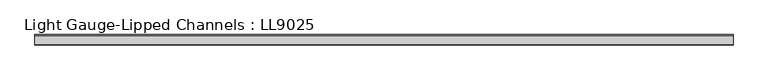
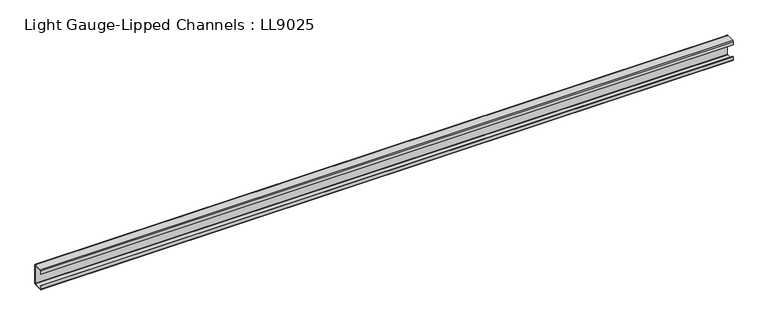
"""IFC4 building model written with IfcOpenShell, lengths in millimetres: beam geometry, Light Gauge-Lipped Channels : LL9025."""

from ifc_helpers import new_model, si_unit, point, frame, frame_2d, origin, place, context, project, spatial, polyline, circle_curve, trimmed, segment, composite_curve, outline, extrude, source, transform, mapped, element, save


def light_gauge_lipped_channels_ll9025_b1844070(model_context):
    return source(origin(), model_context, "Body", "SweptSolid", [
        extrude(outline(composite_curve([segment(trimmed(circle_curve(frame_2d((14.7, -41.5)), 3.5), [point((18.2, -41.5))], [point((14.7, -45.0))], False, "CARTESIAN"), True, "CONTINUOUS"), segment(polyline([(14.7, -45.0), (-23.3, -45.0)]), True, "CONTINUOUS"), segment(trimmed(circle_curve(frame_2d((-23.3, -41.5)), 3.5), [point((-23.3, -45.0))], [point((-26.8, -41.5))], False, "CARTESIAN"), True, "CONTINUOUS"), segment(polyline([(-26.8, -41.5), (-26.8, -27.0), (-24.3, -27.0), (-24.3, -41.5)]), True, "CONTINUOUS"), segment(trimmed(circle_curve(frame_2d((-23.3, -41.5)), 1.0), [point((-24.3, -41.5))], [point((-23.3, -42.5))], True, "CARTESIAN"), True, "CONTINUOUS"), segment(polyline([(-23.3, -42.5), (14.7, -42.5)]), True, "CONTINUOUS"), segment(trimmed(circle_curve(frame_2d((14.7, -41.5)), 1.0), [point((14.7, -42.5))], [point((15.7, -41.5))], True, "CARTESIAN"), True, "CONTINUOUS"), segment(polyline([(15.7, -41.5), (15.7, 41.5)]), True, "CONTINUOUS"), segment(trimmed(circle_curve(frame_2d((14.7, 41.5)), 1.0), [point((15.7, 41.5))], [point((14.7, 42.5))], True, "CARTESIAN"), True, "CONTINUOUS"), segment(polyline([(14.7, 42.5), (-23.3, 42.5)]), True, "CONTINUOUS"), segment(trimmed(circle_curve(frame_2d((-23.3, 41.5)), 1.0), [point((-23.3, 42.5))], [point((-24.3, 41.5))], True, "CARTESIAN"), True, "CONTINUOUS"), segment(polyline([(-24.3, 41.5), (-24.3, 27.0), (-26.8, 27.0), (-26.8, 41.5)]), True, "CONTINUOUS"), segment(trimmed(circle_curve(frame_2d((-23.3, 41.5)), 3.5), [point((-26.8, 41.5))], [point((-23.3, 45.0))], False, "CARTESIAN"), True, "CONTINUOUS"), segment(polyline([(-23.3, 45.0), (14.7, 45.0)]), True, "CONTINUOUS"), segment(trimmed(circle_curve(frame_2d((14.7, 41.5)), 3.5), [point((14.7, 45.0))], [point((18.2, 41.5))], False, "CARTESIAN"), True, "CONTINUOUS"), segment(polyline([(18.2, 41.5), (18.2, -41.5)]), True, "CONTINUOUS")], self_intersect=False)), frame((-1496.2147626, 0.0, 0.0), z_axis=(1.0, 0.0, 0.0), x_axis=(0.0, 1.0, 0.0)), (0.0, 0.0, 1.0), 2977.2147626),
    ])


if __name__ == "__main__":
    model = new_model("IFC4")
    model_context = context("Model", 3, world=origin())
    ifc_project = project(units=[si_unit("LENGTHUNIT", "METRE", prefix="MILLI")], contexts=[model_context])
    site = spatial("IfcSite", under=ifc_project)
    building = spatial("IfcBuilding", under=site)
    placement = place(None, origin())
    light_gauge_lipped_channels_ll9025_shape = light_gauge_lipped_channels_ll9025_b1844070(model_context)
    element("IfcBeam", 1, ObjectType="Light Gauge-Lipped Channels : LL9025", at=placement, inside=building, context=model_context, shape_type="MappedRepresentation", body=[
        mapped(light_gauge_lipped_channels_ll9025_shape, transform((0.0, 0.0, 0.0), x_axis=(1.0, 0.0, 0.0), y_axis=(0.0, 1.0, 0.0), z_axis=(0.0, 0.0, 1.0))),
    ])
    save(model, "model.ifc")
